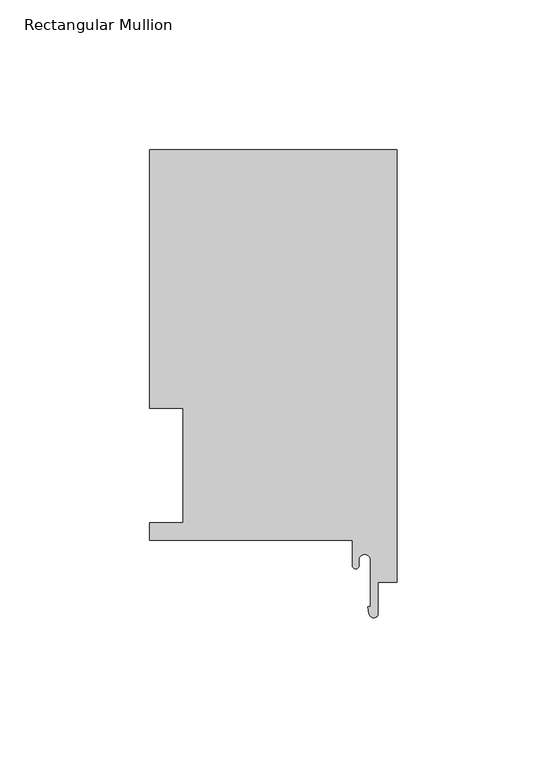
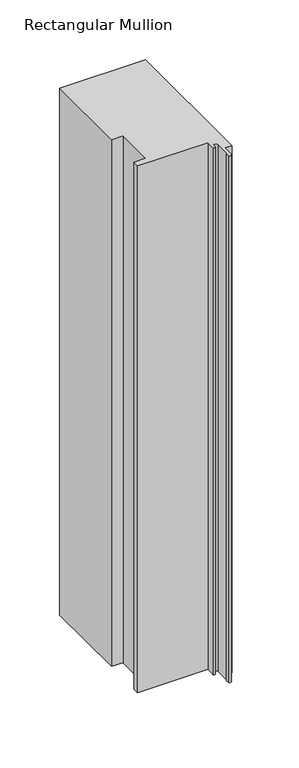
"""IFC4 building model written with IfcOpenShell, lengths in millimetres: member geometry, Rectangular Mullion."""

from ifc_helpers import new_model, si_unit, point, frame, frame_2d, origin, place, context, project, spatial, polyline, circle_curve, trimmed, segment, composite_curve, outline, extrude, source, transform, mapped, element, save


def rectangular_mullion_b12c54fb(model_context):
    return source(origin(), model_context, "Body", "SweptSolid", [
        extrude(outline(composite_curve([segment(polyline([(-82.55, 130.6322), (0.0, 130.6322), (0.0, -13.5385716), (-6.35, -13.5385716), (-6.35, -23.8977531)]), True, "CONTINUOUS"), segment(trimmed(circle_curve(frame_2d((-7.8522469, -23.8977531)), 1.5022469), [point((-6.35, -23.8977531))], [point((-9.338383, -24.1171734))], False, "CARTESIAN"), True, "CONTINUOUS"), segment(polyline([(-9.338383, -24.1171734), (-9.6940977, -21.7079145), (-8.89, -21.7079145), (-8.89, -6.1214)]), True, "CONTINUOUS"), segment(trimmed(circle_curve(frame_2d((-10.795, -6.1214)), 1.905), [point((-8.89, -6.1214))], [point((-12.7, -6.1214))], True, "CARTESIAN"), True, "CONTINUOUS"), segment(polyline([(-12.7, -6.1214), (-12.7, -7.9405445)]), True, "CONTINUOUS"), segment(trimmed(circle_curve(frame_2d((-13.843, -7.9405445)), 1.143), [point((-12.7, -7.9405445))], [point((-14.986, -7.9405445))], False, "CARTESIAN"), True, "CONTINUOUS"), segment(polyline([(-14.986, -7.9405445), (-14.986, 0.4064), (-82.55, 0.4064), (-82.55, 6.35), (-71.4450019, 6.35), (-71.4450019, 44.45), (-82.55, 44.45), (-82.55, 130.6322)]), True, "CONTINUOUS")], self_intersect=False)), frame((0.0, 0.0, -536.575), z_axis=(0.0, 0.0, 1.0), x_axis=(1.0, 0.0, 0.0)), (0.0, 0.0, 1.0), 536.575),
    ])


if __name__ == "__main__":
    model = new_model("IFC4")
    model_context = context("Model", 3, world=origin())
    ifc_project = project(units=[si_unit("LENGTHUNIT", "METRE", prefix="MILLI")], contexts=[model_context])
    site = spatial("IfcSite", under=ifc_project)
    building = spatial("IfcBuilding", under=site)
    placement = place(None, origin())
    rectangular_mullion_shape = rectangular_mullion_b12c54fb(model_context)
    element("IfcMember", 1, ObjectType="Rectangular Mullion", at=placement, inside=building, context=model_context, shape_type="MappedRepresentation", body=[
        mapped(rectangular_mullion_shape, transform((0.0, 0.0, 0.0), x_axis=(1.0, 0.0, 0.0), y_axis=(0.0, 1.0, 0.0), z_axis=(0.0, 0.0, 1.0))),
    ])
    save(model, "model.ifc")
